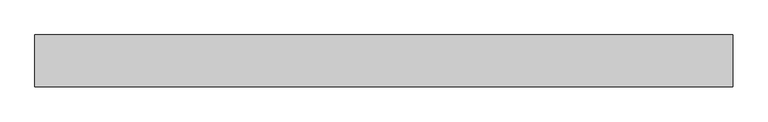
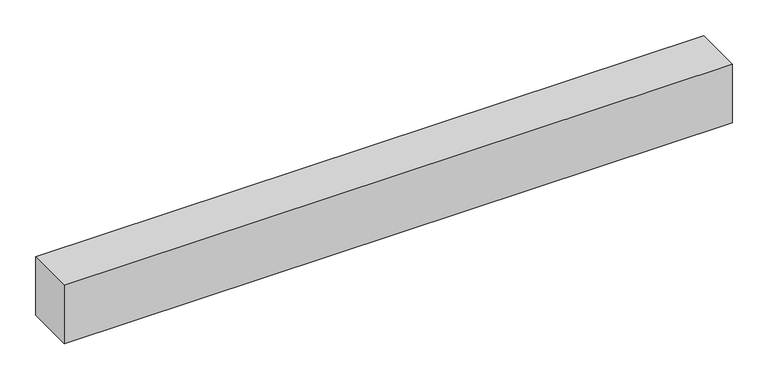
"""IFC4 building model written with IfcOpenShell, lengths in millimetres: proxy geometry."""

from ifc_helpers import new_model, si_unit, frame, origin, place, context, project, spatial, polyline, outline, extrude, source, transform, mapped, element, save


def generic_models_6b3c51eb(model_context):
    return source(origin(), model_context, "Body", "SweptSolid", [
        extrude(outline(polyline([(40.0, 0.0), (-40.0, 0.0), (-40.0, 1080.0), (40.0, 1080.0), (40.0, 0.0)])), frame((1080.0, 0.0, 0.0), z_axis=(0.0, -1.9783474858313244e-12, 1.0), x_axis=(0.0, 1.0, 1.9783474858313244e-12)), (0.0, 0.0, 1.0), 100.0),
    ])


if __name__ == "__main__":
    model = new_model("IFC4")
    model_context = context("Model", 3, world=origin())
    ifc_project = project(units=[si_unit("LENGTHUNIT", "METRE", prefix="MILLI")], contexts=[model_context])
    site = spatial("IfcSite", under=ifc_project)
    building = spatial("IfcBuilding", under=site)
    placement = place(None, origin())
    generic_models_shape = generic_models_6b3c51eb(model_context)
    element("IfcBuildingElementProxy", 1, Name="Generic Models", at=placement, inside=building, context=model_context, shape_type="MappedRepresentation", body=[
        mapped(generic_models_shape, transform((0.0, 0.0, 0.0), x_axis=(1.0, 0.0, 0.0), y_axis=(0.0, 1.0, 0.0), z_axis=(0.0, 0.0, 1.0))),
    ])
    save(model, "model.ifc")
